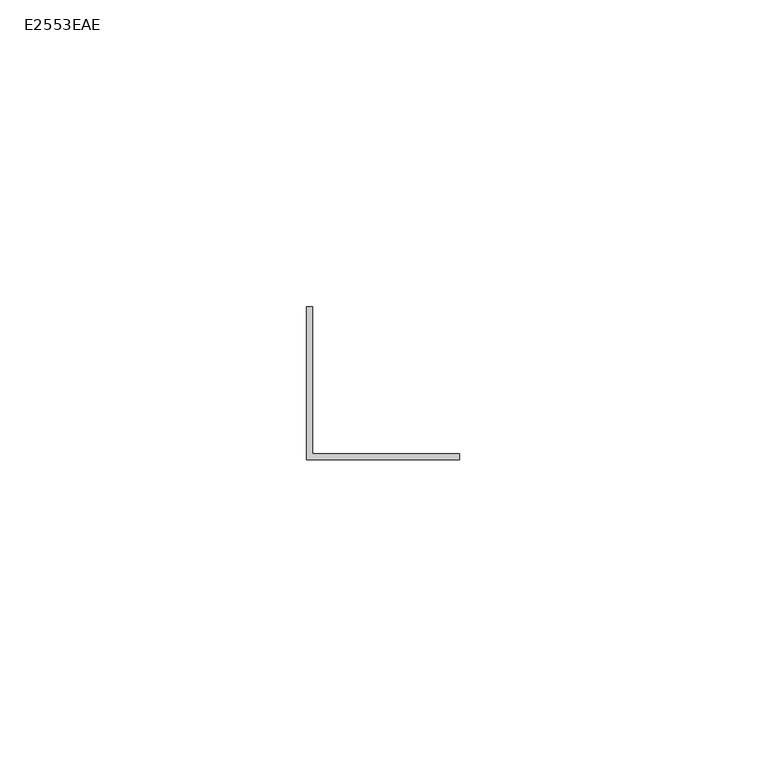
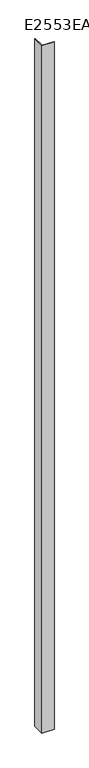
"""IFC4 building model written with IfcOpenShell, lengths in millimetres: proxy geometry, E2553EAE."""

from ifc_helpers import new_model, si_unit, origin, origin_with_axes, place, context, project, spatial, polyline, outline, extrude, source, transform, mapped, element, save


def e2553eae_29c3bc33(model_context):
    return source(origin(), model_context, "Body", "SweptSolid", [
        extrude(outline(polyline([(-5.0, 20.0), (-4.0, 20.0), (-4.0, -4.0), (20.0, -4.0), (20.0, -5.0), (-5.0, -5.0), (-5.0, 20.0)])), origin_with_axes(), (0.0, 0.0, 1.0), 1500.0),
    ])


if __name__ == "__main__":
    model = new_model("IFC4")
    model_context = context("Model", 3, world=origin())
    ifc_project = project(units=[si_unit("LENGTHUNIT", "METRE", prefix="MILLI")], contexts=[model_context])
    site = spatial("IfcSite", under=ifc_project)
    building = spatial("IfcBuilding", under=site)
    placement = place(None, origin())
    e2553eae_shape = e2553eae_29c3bc33(model_context)
    element("IfcBuildingElementProxy", 1, Name="E2553EAE", ObjectType="E2553EAE", at=placement, inside=building, context=model_context, shape_type="MappedRepresentation", body=[
        mapped(e2553eae_shape, transform((0.0, 0.0, 0.0), x_axis=(1.0, 0.0, 0.0), y_axis=(0.0, 1.0, 0.0), z_axis=(0.0, 0.0, 1.0))),
    ])
    save(model, "model.ifc")
